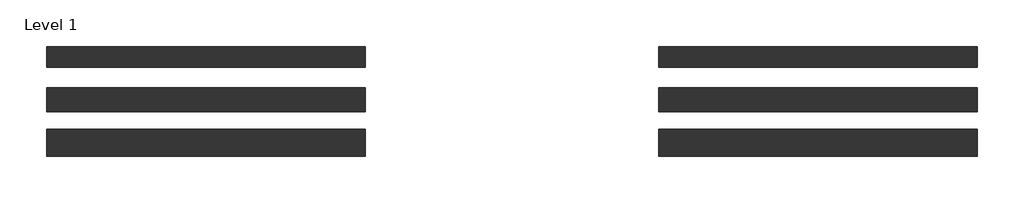
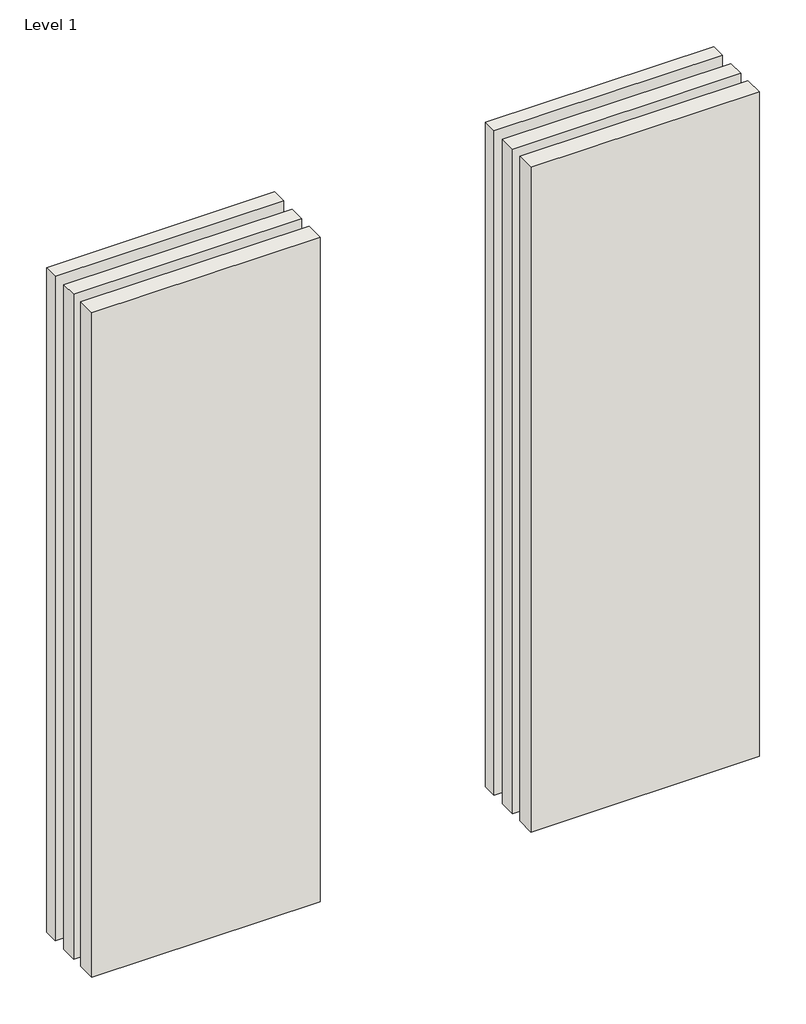
# One storey: 6 walls.
"""IFC4 building model written with IfcOpenShell, lengths in millimetres."""

from ifc_helpers import new_model, si_unit, origin, origin_with_axes, place, context, project, spatial, polyline, outline, extrude, element, save

model = new_model("IFC4")

# Units and contexts
model_context = context("Model", 3, world=origin())
ifc_project = project(units=[si_unit("LENGTHUNIT", "METRE", prefix="MILLI")], contexts=[model_context])

# Site, building, storey
site = spatial("IfcSite", under=ifc_project)
building = spatial("IfcBuilding", under=site)
storey = spatial("IfcBuildingStorey", under=building, Name="Level 1", Elevation=0.0)

# Walls
placement = place(None, origin())
element("IfcWall", 1, at=placement, inside=storey, context=model_context, shape_type="SweptSolid", body=[
    extrude(outline(polyline([(-16904.1464237, 3301.4042935), (-19504.1464237, 3301.4042935), (-19504.1464237, 3471.4042935), (-16904.1464237, 3471.4042935), (-16904.1464237, 3301.4042935)])), origin_with_axes(), (0.0, 0.0, 1.0), 8000.0),
])
element("IfcWall", 2, at=placement, inside=storey, context=model_context, shape_type="SweptSolid", body=[
    extrude(outline(polyline([(-16904.1464237, 2938.9042935), (-19504.1464237, 2938.9042935), (-19504.1464237, 3133.9042935), (-16904.1464237, 3133.9042935), (-16904.1464237, 2938.9042935)])), origin_with_axes(), (0.0, 0.0, 1.0), 8000.0),
])
element("IfcWall", 3, at=placement, inside=storey, context=model_context, shape_type="SweptSolid", body=[
    extrude(outline(polyline([(-16904.1464237, 2576.4042935), (-19504.1464237, 2576.4042935), (-19504.1464237, 2796.4042935), (-16904.1464237, 2796.4042935), (-16904.1464237, 2576.4042935)])), origin_with_axes(), (0.0, 0.0, 1.0), 8000.0),
])
element("IfcWall", 4, at=placement, inside=storey, context=model_context, shape_type="SweptSolid", body=[
    extrude(outline(polyline([(-11904.1464237, 3301.4042935), (-14504.1464237, 3301.4042935), (-14504.1464237, 3471.4042935), (-11904.1464237, 3471.4042935), (-11904.1464237, 3301.4042935)])), origin_with_axes(), (0.0, 0.0, 1.0), 8000.0),
])
element("IfcWall", 5, at=placement, inside=storey, context=model_context, shape_type="SweptSolid", body=[
    extrude(outline(polyline([(-11904.1464237, 2938.9042935), (-14504.1464237, 2938.9042935), (-14504.1464237, 3133.9042935), (-11904.1464237, 3133.9042935), (-11904.1464237, 2938.9042935)])), origin_with_axes(), (0.0, 0.0, 1.0), 8000.0),
])
element("IfcWall", 6, at=placement, inside=storey, context=model_context, shape_type="SweptSolid", body=[
    extrude(outline(polyline([(-11904.1464237, 2576.4042935), (-14504.1464237, 2576.4042935), (-14504.1464237, 2796.4042935), (-11904.1464237, 2796.4042935), (-11904.1464237, 2576.4042935)])), origin_with_axes(), (0.0, 0.0, 1.0), 8000.0),
])

save(model, "model.ifc")
